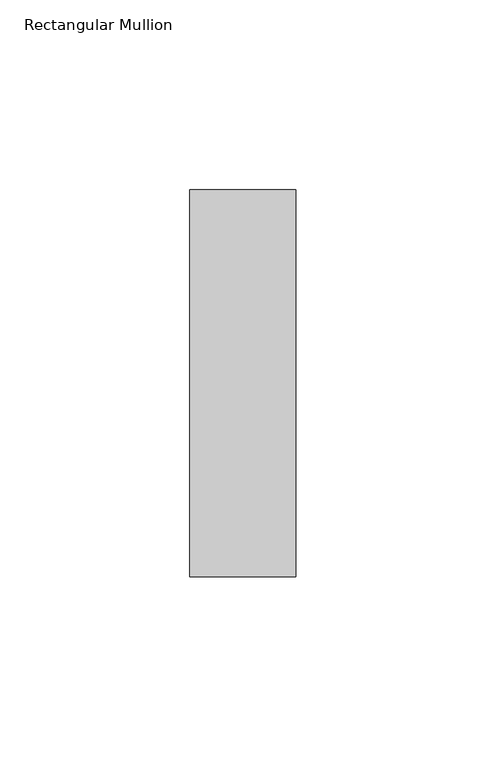
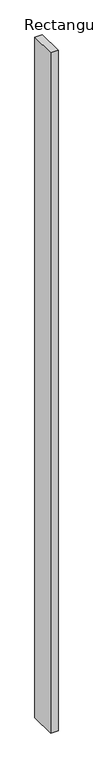
"""IFC4 building model written with IfcOpenShell, lengths in millimetres: member geometry, Rectangular Mullion."""

from ifc_helpers import new_model, si_unit, frame, origin, place, context, project, spatial, polyline, outline, extrude, source, transform, mapped, element, save


def rectangular_mullion_9ca4c708(model_context):
    return source(origin(), model_context, "Body", "SweptSolid", [
        extrude(outline(polyline([(-28.0, -51.0), (-28.0, 51.0), (0.0, 51.0), (0.0, -51.0), (-28.0, -51.0)])), frame((0.0, 0.0, -2700.0), z_axis=(0.0, 0.0, 1.0), x_axis=(1.0, 0.0, 0.0)), (0.0, 0.0, 1.0), 2700.0),
    ])


if __name__ == "__main__":
    model = new_model("IFC4")
    model_context = context("Model", 3, world=origin())
    ifc_project = project(units=[si_unit("LENGTHUNIT", "METRE", prefix="MILLI")], contexts=[model_context])
    site = spatial("IfcSite", under=ifc_project)
    building = spatial("IfcBuilding", under=site)
    placement = place(None, origin())
    rectangular_mullion_shape = rectangular_mullion_9ca4c708(model_context)
    element("IfcMember", 1, ObjectType="Rectangular Mullion", at=placement, inside=building, context=model_context, shape_type="MappedRepresentation", body=[
        mapped(rectangular_mullion_shape, transform((0.0, 0.0, 0.0), x_axis=(1.0, 0.0, 0.0), y_axis=(0.0, 1.0, 0.0), z_axis=(0.0, 0.0, 1.0))),
    ])
    save(model, "model.ifc")
